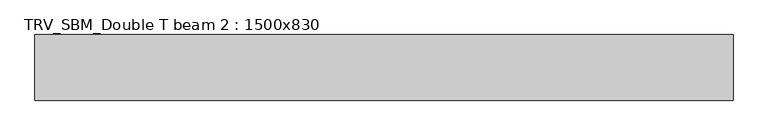
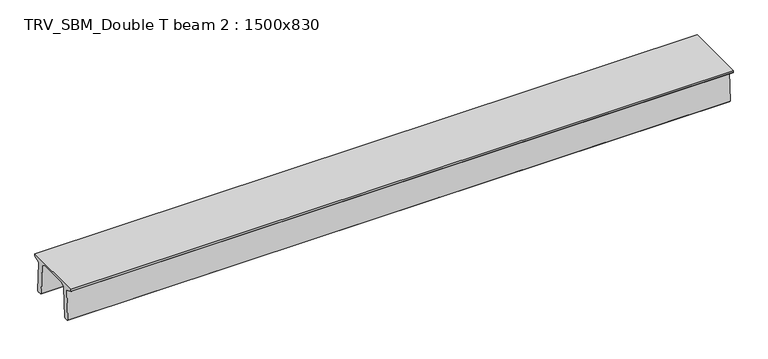
"""IFC4 building model written with IfcOpenShell, lengths in millimetres: beam geometry, TRV_SBM_Double T beam 2 : 1500x830."""

import ifcopenshell
import ifcopenshell.guid

model = None  # the IFC model being written
_history = None  # IfcOwnerHistory: only IFC2X3 demands one
_inside = {}  # id of a spatial element -> (the spatial element, [elements in it])
_under = {}  # id of a project, library or spatial element -> (it, [spatial elements below it])
_declared = {}  # id of a project -> (the project, [libraries it declares])
_typed = {}  # id of a type object -> (the type object, [elements of that type])
_made_of = {}  # id of a material, layer set ... -> (it, [elements and type objects made of it])


def new_model(schema):
    """Start an empty IFC model of exactly this schema.

    Asked for "IFC4X3", IfcOpenShell would pick the latest addendum, in which some entities
    have other attributes; the version numbers below select the first issue.
    IFC2X3 requires an IfcOwnerHistory on every rooted entity: one is made here for all.
    """
    global model, _history
    if schema == "IFC4X3":
        model = ifcopenshell.file(schema_version=(4, 3, 0, 0))
    else:
        model = ifcopenshell.file(schema=schema)
    _inside.clear()
    _under.clear()
    _declared.clear()
    _typed.clear()
    _made_of.clear()
    _history = None
    if model.schema == "IFC2X3":
        org = make("IfcOrganization", Name="unknown")
        user = make(
            "IfcPersonAndOrganization",
            ThePerson=make("IfcPerson", FamilyName="unknown"),
            TheOrganization=org,
        )
        app = make(
            "IfcApplication",
            ApplicationDeveloper=org,
            Version="unknown",
            ApplicationFullName="unknown",
            ApplicationIdentifier="unknown",
        )
        _history = make(
            "IfcOwnerHistory",
            OwningUser=user,
            OwningApplication=app,
            ChangeAction="ADDED",
            CreationDate=0,
        )
    return model


def make(cls, **values):
    """One entity of the class cls with the attributes given. An attribute that is None is left unset."""
    return model.create_entity(
        cls, **{name: value for name, value in values.items() if value is not None}
    )


def rooted(cls, **values):
    """An entity with a GlobalId (a new one), such as an element, a storey or a relation."""
    return make(cls, GlobalId=ifcopenshell.guid.new(), OwnerHistory=_history, **values)


def si_unit(unit_type, name, prefix=None):
    """IfcSIUnit, for example si_unit("LENGTHUNIT", "METRE", prefix="MILLI")."""
    return make("IfcSIUnit", UnitType=unit_type, Prefix=prefix, Name=name)


def assignment(units):
    """IfcUnitAssignment: the units of a project."""
    return None if units is None else make("IfcUnitAssignment", Units=units)


def point(xyz):
    """IfcCartesianPoint."""
    return None if xyz is None else make("IfcCartesianPoint", Coordinates=xyz)


def direction(xyz):
    """IfcDirection."""
    return None if xyz is None else make("IfcDirection", DirectionRatios=xyz)


def frame(location, z_axis=None, x_axis=None):
    """IfcAxis2Placement3D, a coordinate frame: its origin and axes. An axis left out is left unset."""
    return make(
        "IfcAxis2Placement3D",
        Location=point(location),
        Axis=direction(z_axis),
        RefDirection=direction(x_axis),
    )


def origin():
    """The frame at (0, 0, 0) with its axes left unset."""
    return frame((0.0, 0.0, 0.0))


def place(relative_to, where):
    """IfcLocalPlacement: puts the frame where relative to a parent placement (None: the world)."""
    return make(
        "IfcLocalPlacement", PlacementRelTo=relative_to, RelativePlacement=where
    )


def context(
    kind, dimensions, precision=None, world=None, true_north=None, identifier=None
):
    """IfcGeometricRepresentationContext, for example the 3D "Model" context."""
    return make(
        "IfcGeometricRepresentationContext",
        ContextIdentifier=identifier,
        ContextType=kind,
        CoordinateSpaceDimension=dimensions,
        Precision=precision,
        WorldCoordinateSystem=world,
        TrueNorth=true_north,
    )


def project(units=None, contexts=None):
    """IfcProject with its units and contexts."""
    return rooted(
        "IfcProject",
        Name="project",
        RepresentationContexts=contexts,
        UnitsInContext=assignment(units),
    )


def spatial(cls, under=None, at=None, **own):
    """A site, building, storey or space (cls), placed at a placement, below another one or the project."""
    s = rooted(cls, ObjectPlacement=at, **own)
    if under is not None:
        _under.setdefault(under.id(), (under, []))[1].append(s)
    return s


def polyline(points):
    """IfcPolyline through the points."""
    return make("IfcPolyline", Points=[point(p) for p in points])


def outline(outer, holes=None, kind="AREA"):
    """IfcArbitraryClosedProfileDef: a profile drawn as a closed curve; with holes, ...WithVoids."""
    if holes is None:
        return make("IfcArbitraryClosedProfileDef", ProfileType=kind, OuterCurve=outer)
    return make(
        "IfcArbitraryProfileDefWithVoids",
        ProfileType=kind,
        OuterCurve=outer,
        InnerCurves=holes,
    )


def extrude(swept, where, along, depth):
    """IfcExtrudedAreaSolid: the profile swept, set in the frame where, extruded along a direction by depth."""
    return make(
        "IfcExtrudedAreaSolid",
        SweptArea=swept,
        Position=where,
        ExtrudedDirection=direction(along),
        Depth=depth,
    )


def shape(context_of_items, identifier, shape_type, items):
    """IfcShapeRepresentation: the items that make up one representation, for example the "Body"."""
    return make(
        "IfcShapeRepresentation",
        ContextOfItems=context_of_items,
        RepresentationIdentifier=identifier,
        RepresentationType=shape_type,
        Items=items,
    )


def source(mapping_origin, context_of_items, identifier, shape_type, items):
    """IfcRepresentationMap: a shape defined once, which mapped items show again and again."""
    return make(
        "IfcRepresentationMap",
        MappingOrigin=mapping_origin,
        MappedRepresentation=shape(context_of_items, identifier, shape_type, items),
    )


def transform(
    local_origin,
    x_axis=None,
    y_axis=None,
    z_axis=None,
    scale=None,
    scale2=None,
    scale3=None,
    uniform=True,
):
    """IfcCartesianTransformationOperator3D, or its non-uniform kind. x_axis, y_axis, z_axis: its Axis1, 2, 3."""
    if uniform:
        return make(
            "IfcCartesianTransformationOperator3D",
            Axis1=direction(x_axis),
            Axis2=direction(y_axis),
            LocalOrigin=point(local_origin),
            Scale=scale,
            Axis3=direction(z_axis),
        )
    return make(
        "IfcCartesianTransformationOperator3DnonUniform",
        Axis1=direction(x_axis),
        Axis2=direction(y_axis),
        LocalOrigin=point(local_origin),
        Scale=scale,
        Axis3=direction(z_axis),
        Scale2=scale2,
        Scale3=scale3,
    )


def mapped(mapping_source, mapping_target):
    """IfcMappedItem: shows the shape of a source again, moved by a transform."""
    return make(
        "IfcMappedItem", MappingSource=mapping_source, MappingTarget=mapping_target
    )


def made_of(thing, what):
    """Note that an element or type object is made of a material, layer set ...; save() writes the relation."""
    if what is not None:
        _made_of.setdefault(what.id(), (what, []))[1].append(thing)
    return thing


def element(
    cls,
    number,
    at=None,
    inside=None,
    cuts=None,
    type_object=None,
    material=None,
    context=None,
    identifier="Body",
    shape_type=None,
    held_by="IfcProductDefinitionShape",
    body=None,
    shapes=None,
    **own,
):
    """One element of the class cls, such as IfcWall. Its Tag is "e" and its number.

    at: its placement. inside: the storey or other place that contains it. cuts: it is an
    opening in that element (IfcRelVoidsElement). A single representation is given by context,
    identifier, shape_type and body (its items); several are given by shapes. held_by: the class
    of the entity that holds the representations. save() writes the other relations.
    """
    e = rooted(cls, Tag="e%d" % number, ObjectPlacement=at, **own)
    if body is not None:
        shapes = [shape(context, identifier, shape_type, body)]
    if shapes is not None:
        e.Representation = make(held_by, Representations=shapes)
    if inside is not None:
        _inside.setdefault(inside.id(), (inside, []))[1].append(e)
    if cuts is not None:
        rooted(
            "IfcRelVoidsElement", RelatingBuildingElement=cuts, RelatedOpeningElement=e
        )
    if type_object is not None:
        _typed.setdefault(type_object.id(), (type_object, []))[1].append(e)
    return made_of(e, material)


def aggregate(whole, parts):
    """IfcRelAggregates: a whole, such as a stair, and the parts it consists of."""
    return rooted("IfcRelAggregates", RelatingObject=whole, RelatedObjects=parts)


def save(model, path):
    """Write the relations noted so far, then the file.

    IfcRelAggregates (storeys below a building ...), IfcRelContainedInSpatialStructure (elements
    in a storey), IfcRelDefinesByType, IfcRelAssociatesMaterial and IfcRelDeclares: one each for
    every whole, place, type object, material and project.
    """
    for whole, parts in _under.values():
        aggregate(whole, parts)
    for where, things in _inside.values():
        rooted(
            "IfcRelContainedInSpatialStructure",
            RelatedElements=things,
            RelatingStructure=where,
        )
    for kind, things in _typed.values():
        rooted("IfcRelDefinesByType", RelatedObjects=things, RelatingType=kind)
    for what, things in _made_of.values():
        rooted("IfcRelAssociatesMaterial", RelatedObjects=things, RelatingMaterial=what)
    for by, libraries in _declared.values():
        rooted("IfcRelDeclares", RelatingContext=by, RelatedDefinitions=libraries)
    model.write(path)


def trv_sbm_double_t_beam_2_1500x830_55b52439(model_context):
    return source(origin(), model_context, "Body", "SweptSolid", [
        extrude(outline(polyline([(337.4555014, 470.0), (-343.4555014, 470.0), (-456.5828437, 409.8491251), (-494.786332, -340.5206011), (-514.2657308, -360.0), (-604.2657308, -360.0), (-624.8277662, -339.4379646), (-586.9373878, 401.9654693), (-752.8511046, 468.9989621), (-753.0, 475.0), (-753.0, 520.0), (747.0, 520.0), (747.0, 475.0), (746.8511046, 468.9989621), (580.9373878, 401.9654693), (618.8277662, -339.4379646), (598.2657308, -360.0), (508.2657308, -360.0), (488.786332, -340.5206011), (450.5828437, 409.8491251), (337.4555014, 470.0)])), frame((-7979.0, 0.0, 0.0), z_axis=(1.0, 0.0, 0.0), x_axis=(0.0, 1.0, 0.0)), (0.0, 0.0, 1.0), 15958.0),
    ])


if __name__ == "__main__":
    model = new_model("IFC4")
    model_context = context("Model", 3, world=origin())
    ifc_project = project(units=[si_unit("LENGTHUNIT", "METRE", prefix="MILLI")], contexts=[model_context])
    site = spatial("IfcSite", under=ifc_project)
    building = spatial("IfcBuilding", under=site)
    placement = place(None, origin())
    trv_sbm_double_t_beam_2_1500x830_shape = trv_sbm_double_t_beam_2_1500x830_55b52439(model_context)
    element("IfcBeam", 1, ObjectType="TRV_SBM_Double T beam 2 : 1500x830", at=placement, inside=building, context=model_context, shape_type="MappedRepresentation", body=[
        mapped(trv_sbm_double_t_beam_2_1500x830_shape, transform((0.0, 0.0, 0.0), x_axis=(1.0, 0.0, 0.0), y_axis=(0.0, 1.0, 0.0), z_axis=(0.0, 0.0, 1.0))),
    ])
    save(model, "model.ifc")
